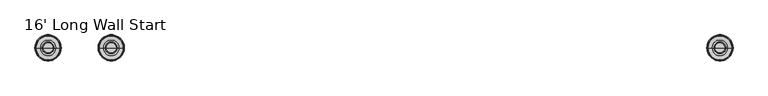
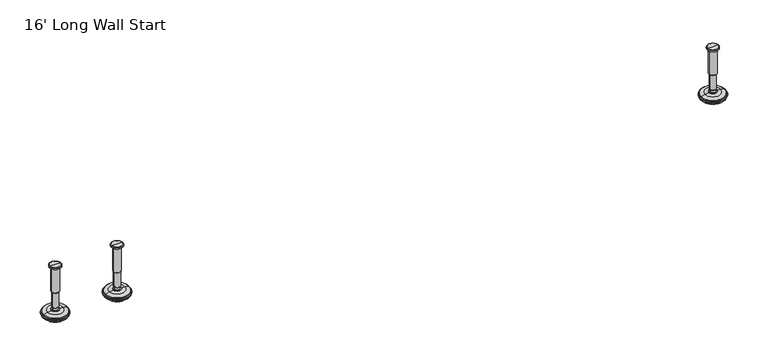
"""IFC4 building model written with IfcOpenShell, lengths in millimetres: furniture geometry, 16' Long Wall Start."""

from ifc_helpers import new_model, si_unit, frame, origin, place, context, project, spatial, polyline, circle_curve, source, transform, mapped, element, save
from ifc_brep_helpers import plane_surface, cylinder_surface, revolved_surface, advanced_brep


def furniture_16_long_wall_start_8f96a8e6(model_context):
    return source(origin(), model_context, "Body", "AdvancedBrep", [
        advanced_brep(
        [(3714.9364323, 0.0, 101.6), (3723.9143537, 0.0, 101.6), (3705.9585109, 0.0, 101.6), (3729.0406722, 0.0, 0.0206943), (3714.9364323, 0.0, 0.0206943), (3700.8321924, 0.0, 0.0206943), (3733.918704, 0.0, 1.4194474), (3695.9541606, 0.0, 1.4194474), (3737.680619, 0.0, 4.7394056), (3692.1922456, 0.0, 4.7394056), (3738.7980686, 0.0, 7.5051905), (3691.074796, 0.0, 7.5051905), (3738.7980686, 0.0, 8.3065967), (3691.074796, 0.0, 8.3065967), (3737.9556654, 0.0, 9.8469348), (3691.9171992, 0.0, 9.8469348), (3736.8555228, 0.0, 10.8375077), (3693.0173418, 0.0, 10.8375077), (3729.5518276, 0.0, 12.7338946), (3700.321037, 0.0, 12.7338946), (3722.1336762, 0.0, 13.3828987), (3707.7391884, 0.0, 13.3828987), (3722.1336762, 0.0, 14.1772758), (3707.7391884, 0.0, 14.1772758), (3719.7368834, 0.0, 14.1772758), (3710.1359812, 0.0, 14.1772758), (3719.7368834, 0.0, 18.8098403), (3710.1359812, 0.0, 18.8098403), (3720.752736, 0.0, 19.8256929), (3709.1201286, 0.0, 19.8256929), (3720.752736, 0.0, 48.3056352), (3709.1201286, 0.0, 48.3056352), (3721.9762639, 0.0, 49.9293116), (3707.8966007, 0.0, 49.9293116), (3721.9762639, 0.0, 97.327223), (3707.8966007, 0.0, 97.327223), (3722.8573683, 0.0, 97.6479188), (3707.0154963, 0.0, 97.6479188), (3723.9063572, 0.0, 97.6479188), (3705.9665074, 0.0, 97.6479188), (3725.5713871, 0.0, 98.6092242), (3704.3014775, 0.0, 98.6092242), (3725.5713871, 0.0, 100.6043539), (3704.3014775, 0.0, 100.6043539)],
        [
            (0, 1),
            (1, 2, circle_curve(frame((3714.9364323, 0.0, 101.6), z_axis=(0.0, 0.0, 1.0), x_axis=(-1.0, 0.0, 0.0)), 8.9779214)),
            (2, 0),
            (2, 1, circle_curve(frame((3714.9364323, 0.0, 101.6), z_axis=(0.0, 0.0, 1.0), x_axis=(-1.0, 0.0, 0.0)), 8.9779214)),
            (3, 4),
            (4, 5),
            (5, 3, circle_curve(frame((3714.9364323, 0.0, 0.0206943), z_axis=(0.0, 0.0, -1.0), x_axis=(-1.0, 0.0, 0.0)), 14.1042399)),
            (3, 5, circle_curve(frame((3714.9364323, 0.0, 0.0206943), z_axis=(0.0, 0.0, -1.0), x_axis=(-1.0, 0.0, 0.0)), 14.1042399)),
            (6, 3),
            (5, 7),
            (7, 6, circle_curve(frame((3714.9364323, 0.0, 1.4194474), z_axis=(0.0, 0.0, -1.0), x_axis=(-1.0, 0.0, 0.0)), 18.9822717)),
            (6, 7, circle_curve(frame((3714.9364323, 0.0, 1.4194474), z_axis=(0.0, 0.0, -1.0), x_axis=(-1.0, 0.0, 0.0)), 18.9822717)),
            (8, 6),
            (7, 9),
            (9, 8, circle_curve(frame((3714.9364323, 0.0, 4.7394056), z_axis=(0.0, 0.0, -1.0), x_axis=(-1.0, 0.0, 0.0)), 22.7441867)),
            (8, 9, circle_curve(frame((3714.9364323, 0.0, 4.7394056), z_axis=(0.0, 0.0, -1.0), x_axis=(-1.0, 0.0, 0.0)), 22.7441867)),
            (10, 8),
            (9, 11),
            (11, 10, circle_curve(frame((3714.9364323, 0.0, 7.5051905), z_axis=(0.0, 0.0, -1.0), x_axis=(-1.0, 0.0, 0.0)), 23.8616363)),
            (10, 11, circle_curve(frame((3714.9364323, 0.0, 7.5051905), z_axis=(0.0, 0.0, -1.0), x_axis=(-1.0, 0.0, 0.0)), 23.8616363)),
            (12, 10),
            (11, 13),
            (13, 12, circle_curve(frame((3714.9364323, 0.0, 8.3065967), z_axis=(0.0, 0.0, -1.0), x_axis=(-1.0, 0.0, 0.0)), 23.8616363)),
            (12, 13, circle_curve(frame((3714.9364323, 0.0, 8.3065967), z_axis=(0.0, 0.0, -1.0), x_axis=(-1.0, 0.0, 0.0)), 23.8616363)),
            (14, 12),
            (13, 15),
            (15, 14, circle_curve(frame((3714.9364323, 0.0, 9.8469348), z_axis=(0.0, 0.0, -1.0), x_axis=(-1.0, 0.0, 0.0)), 23.0192331)),
            (14, 15, circle_curve(frame((3714.9364323, 0.0, 9.8469348), z_axis=(0.0, 0.0, -1.0), x_axis=(-1.0, 0.0, 0.0)), 23.0192331)),
            (16, 14),
            (15, 17),
            (17, 16, circle_curve(frame((3714.9364323, 0.0, 10.8375077), z_axis=(0.0, 0.0, -1.0), x_axis=(-1.0, 0.0, 0.0)), 21.9190905)),
            (16, 17, circle_curve(frame((3714.9364323, 0.0, 10.8375077), z_axis=(0.0, 0.0, -1.0), x_axis=(-1.0, 0.0, 0.0)), 21.9190905)),
            (18, 16),
            (17, 19),
            (19, 18, circle_curve(frame((3714.9364323, 0.0, 12.7338946), z_axis=(0.0, 0.0, -1.0), x_axis=(-1.0, 0.0, 0.0)), 14.6153953)),
            (18, 19, circle_curve(frame((3714.9364323, 0.0, 12.7338946), z_axis=(0.0, 0.0, -1.0), x_axis=(-1.0, 0.0, 0.0)), 14.6153953)),
            (20, 18),
            (19, 21),
            (21, 20, circle_curve(frame((3714.9364323, 0.0, 13.3828987), z_axis=(0.0, 0.0, -1.0), x_axis=(-1.0, 0.0, 0.0)), 7.1972439)),
            (20, 21, circle_curve(frame((3714.9364323, 0.0, 13.3828987), z_axis=(0.0, 0.0, -1.0), x_axis=(-1.0, 0.0, 0.0)), 7.1972439)),
            (22, 20),
            (21, 23),
            (23, 22, circle_curve(frame((3714.9364323, 0.0, 14.1772758), z_axis=(0.0, 0.0, -1.0), x_axis=(-1.0, 0.0, 0.0)), 7.1972439)),
            (22, 23, circle_curve(frame((3714.9364323, 0.0, 14.1772758), z_axis=(0.0, 0.0, -1.0), x_axis=(-1.0, 0.0, 0.0)), 7.1972439)),
            (24, 22),
            (23, 25),
            (25, 24, circle_curve(frame((3714.9364323, 0.0, 14.1772758), z_axis=(0.0, 0.0, -1.0), x_axis=(-1.0, 0.0, 0.0)), 4.8004511)),
            (24, 25, circle_curve(frame((3714.9364323, 0.0, 14.1772758), z_axis=(0.0, 0.0, -1.0), x_axis=(-1.0, 0.0, 0.0)), 4.8004511)),
            (26, 24),
            (25, 27),
            (27, 26, circle_curve(frame((3714.9364323, 0.0, 18.8098403), z_axis=(0.0, 0.0, -1.0), x_axis=(-1.0, 0.0, 0.0)), 4.8004511)),
            (26, 27, circle_curve(frame((3714.9364323, 0.0, 18.8098403), z_axis=(0.0, 0.0, -1.0), x_axis=(-1.0, 0.0, 0.0)), 4.8004511)),
            (28, 26),
            (27, 29),
            (29, 28, circle_curve(frame((3714.9364323, 0.0, 19.8256929), z_axis=(0.0, 0.0, -1.0), x_axis=(-1.0, 0.0, 0.0)), 5.8163037)),
            (28, 29, circle_curve(frame((3714.9364323, 0.0, 19.8256929), z_axis=(0.0, 0.0, -1.0), x_axis=(-1.0, 0.0, 0.0)), 5.8163037)),
            (30, 28),
            (29, 31),
            (31, 30, circle_curve(frame((3714.9364323, 0.0, 48.3056352), z_axis=(0.0, 0.0, -1.0), x_axis=(-1.0, 0.0, 0.0)), 5.8163037)),
            (30, 31, circle_curve(frame((3714.9364323, 0.0, 48.3056352), z_axis=(0.0, 0.0, -1.0), x_axis=(-1.0, 0.0, 0.0)), 5.8163037)),
            (32, 30),
            (31, 33),
            (33, 32, circle_curve(frame((3714.9364323, 0.0, 49.9293116), z_axis=(0.0, 0.0, -1.0), x_axis=(-1.0, 0.0, 0.0)), 7.0398316)),
            (32, 33, circle_curve(frame((3714.9364323, 0.0, 49.9293116), z_axis=(0.0, 0.0, -1.0), x_axis=(-1.0, 0.0, 0.0)), 7.0398316)),
            (34, 32),
            (33, 35),
            (35, 34, circle_curve(frame((3714.9364323, 0.0, 97.327223), z_axis=(0.0, 0.0, -1.0), x_axis=(-1.0, 0.0, 0.0)), 7.0398316)),
            (34, 35, circle_curve(frame((3714.9364323, 0.0, 97.327223), z_axis=(0.0, 0.0, -1.0), x_axis=(-1.0, 0.0, 0.0)), 7.0398316)),
            (36, 34),
            (35, 37),
            (37, 36, circle_curve(frame((3714.9364323, 0.0, 97.6479188), z_axis=(0.0, 0.0, -1.0), x_axis=(-1.0, 0.0, 0.0)), 7.920936)),
            (36, 37, circle_curve(frame((3714.9364323, 0.0, 97.6479188), z_axis=(0.0, 0.0, -1.0), x_axis=(-1.0, 0.0, 0.0)), 7.920936)),
            (38, 36),
            (37, 39),
            (39, 38, circle_curve(frame((3714.9364323, 0.0, 97.6479188), z_axis=(0.0, 0.0, -1.0), x_axis=(-1.0, 0.0, 0.0)), 8.9699249)),
            (38, 39, circle_curve(frame((3714.9364323, 0.0, 97.6479188), z_axis=(0.0, 0.0, -1.0), x_axis=(-1.0, 0.0, 0.0)), 8.9699249)),
            (40, 38),
            (39, 41),
            (41, 40, circle_curve(frame((3714.9364323, 0.0, 98.6092242), z_axis=(0.0, 0.0, -1.0), x_axis=(-1.0, 0.0, 0.0)), 10.6349548)),
            (40, 41, circle_curve(frame((3714.9364323, 0.0, 98.6092242), z_axis=(0.0, 0.0, -1.0), x_axis=(-1.0, 0.0, 0.0)), 10.6349548)),
            (42, 40),
            (41, 43),
            (43, 42, circle_curve(frame((3714.9364323, 0.0, 100.6043539), z_axis=(0.0, 0.0, -1.0), x_axis=(-1.0, 0.0, 0.0)), 10.6349548)),
            (42, 43, circle_curve(frame((3714.9364323, 0.0, 100.6043539), z_axis=(0.0, 0.0, -1.0), x_axis=(-1.0, 0.0, 0.0)), 10.6349548)),
            (1, 42),
            (43, 2),
        ],
        [
            plane_surface(frame((3714.9364323, 0.0, 101.6), z_axis=(0.0, 0.0, 1.0), x_axis=(-1.0, 0.0, 0.0))),
            plane_surface(frame((3714.9364323, 0.0, 0.0206943), z_axis=(0.0, 0.0, -1.0), x_axis=(-1.0, 0.0, 0.0))),
            revolved_surface(polyline([(3700.8321924, 0.0, 0.0206943), (3695.9541606, 0.0, 1.4194474)]), (3714.9364323, 0.0, 101.6), (0.0, 0.0, 1.0)),
            revolved_surface(polyline([(3695.9541606, 0.0, 1.4194474), (3692.1922456, 0.0, 4.7394056)]), (3714.9364323, 0.0, 101.6), (0.0, 0.0, 1.0)),
            revolved_surface(polyline([(3692.1922456, 0.0, 4.7394056), (3691.074796, 0.0, 7.5051905)]), (3714.9364323, 0.0, 101.6), (0.0, 0.0, 1.0)),
            cylinder_surface(frame((3714.9364323, 0.0, 101.6), z_axis=(0.0, 0.0, 1.0), x_axis=(-1.0, 0.0, 0.0)), 23.8616363),
            revolved_surface(polyline([(3691.074796, 0.0, 8.3065967), (3691.9171992, 0.0, 9.8469348)]), (3714.9364323, 0.0, 101.6), (0.0, 0.0, 1.0)),
            revolved_surface(polyline([(3691.9171992, 0.0, 9.8469348), (3693.0173418, 0.0, 10.8375077)]), (3714.9364323, 0.0, 101.6), (0.0, 0.0, 1.0)),
            revolved_surface(polyline([(3693.0173418, 0.0, 10.8375077), (3700.321037, 0.0, 12.7338946)]), (3714.9364323, 0.0, 101.6), (0.0, 0.0, 1.0)),
            revolved_surface(polyline([(3700.321037, 0.0, 12.7338946), (3707.7391884, 0.0, 13.3828987)]), (3714.9364323, 0.0, 101.6), (0.0, 0.0, 1.0)),
            cylinder_surface(frame((3714.9364323, 0.0, 101.6), z_axis=(0.0, 0.0, 1.0), x_axis=(-1.0, 0.0, 0.0)), 7.1972439),
            plane_surface(frame((3714.9364323, 0.0, 14.1772758), z_axis=(0.0, 0.0, 1.0), x_axis=(-1.0, 0.0, 0.0))),
            cylinder_surface(frame((3714.9364323, 0.0, 101.6), z_axis=(0.0, 0.0, 1.0), x_axis=(-1.0, 0.0, 0.0)), 4.8004511),
            revolved_surface(polyline([(3710.1359812, 0.0, 18.8098403), (3709.1201286, 0.0, 19.8256929)]), (3714.9364323, 0.0, 101.6), (0.0, 0.0, 1.0)),
            cylinder_surface(frame((3714.9364323, 0.0, 101.6), z_axis=(0.0, 0.0, 1.0), x_axis=(-1.0, 0.0, 0.0)), 5.8163037),
            revolved_surface(polyline([(3709.1201286, 0.0, 48.3056352), (3707.8966007, 0.0, 49.9293116)]), (3714.9364323, 0.0, 101.6), (0.0, 0.0, 1.0)),
            cylinder_surface(frame((3714.9364323, 0.0, 101.6), z_axis=(0.0, 0.0, 1.0), x_axis=(-1.0, 0.0, 0.0)), 7.0398316),
            revolved_surface(polyline([(3707.8966007, 0.0, 97.327223), (3707.0154963, 0.0, 97.6479188)]), (3714.9364323, 0.0, 101.6), (0.0, 0.0, 1.0)),
            plane_surface(frame((3714.9364323, 0.0, 97.6479188), z_axis=(0.0, 0.0, -1.0), x_axis=(-1.0, 0.0, 0.0))),
            revolved_surface(polyline([(3705.9665074, 0.0, 97.6479188), (3704.3014775, 0.0, 98.6092242)]), (3714.9364323, 0.0, 101.6), (0.0, 0.0, 1.0)),
            cylinder_surface(frame((3714.9364323, 0.0, 101.6), z_axis=(0.0, 0.0, 1.0), x_axis=(-1.0, 0.0, 0.0)), 10.6349548),
            revolved_surface(polyline([(3704.3014775, 0.0, 100.6043539), (3705.9585109, 0.0, 101.6)]), (3714.9364323, 0.0, 101.6), (0.0, 0.0, 1.0)),
        ],
        [
            (0, [[1, 2, 3]]),
            (0, [[-3, 4, -1]]),
            (1, [[5, 6, 7]]),
            (1, [[-6, -5, 8]]),
            (2, [[9, -7, 10, 11]]),
            (2, [[-10, -8, -9, 12]]),
            (3, [[13, -11, 14, 15]]),
            (3, [[-14, -12, -13, 16]]),
            (4, [[17, -15, 18, 19]]),
            (4, [[-18, -16, -17, 20]]),
            (5, [[21, -19, 22, 23]]),
            (5, [[-22, -20, -21, 24]]),
            (6, [[25, -23, 26, 27]]),
            (6, [[-26, -24, -25, 28]]),
            (7, [[29, -27, 30, 31]]),
            (7, [[-30, -28, -29, 32]]),
            (8, [[33, -31, 34, 35]]),
            (8, [[-34, -32, -33, 36]]),
            (9, [[37, -35, 38, 39]]),
            (9, [[-38, -36, -37, 40]]),
            (10, [[41, -39, 42, 43]]),
            (10, [[-42, -40, -41, 44]]),
            (11, [[45, -43, 46, 47]]),
            (11, [[-46, -44, -45, 48]]),
            (12, [[49, -47, 50, 51]]),
            (12, [[-50, -48, -49, 52]]),
            (13, [[53, -51, 54, 55]]),
            (13, [[-54, -52, -53, 56]]),
            (14, [[57, -55, 58, 59]]),
            (14, [[-58, -56, -57, 60]]),
            (15, [[61, -59, 62, 63]]),
            (15, [[-62, -60, -61, 64]]),
            (16, [[65, -63, 66, 67]]),
            (16, [[-66, -64, -65, 68]]),
            (17, [[69, -67, 70, 71]]),
            (17, [[-70, -68, -69, 72]]),
            (18, [[73, -71, 74, 75]]),
            (18, [[-74, -72, -73, 76]]),
            (19, [[77, -75, 78, 79]]),
            (19, [[-78, -76, -77, 80]]),
            (20, [[81, -79, 82, 83]]),
            (20, [[-82, -80, -81, 84]]),
            (21, [[85, -83, 86, -2]]),
            (21, [[-86, -84, -85, -4]]),
        ],
    ),
        advanced_brep(
        [(3600.2635677, 0.0, 101.6), (3609.2414891, 0.0, 101.6), (3591.2856463, 0.0, 101.6), (3586.1593278, 0.0, 0.0206943), (3614.3678076, 0.0, 0.0206943), (3600.2635677, 0.0, 0.0206943), (3581.281296, 0.0, 1.4194474), (3619.2458394, 0.0, 1.4194474), (3577.519381, 0.0, 4.7394056), (3623.0077544, 0.0, 4.7394056), (3576.4019314, 0.0, 7.5051905), (3624.125204, 0.0, 7.5051905), (3576.4019314, 0.0, 8.3065967), (3624.125204, 0.0, 8.3065967), (3577.2443346, 0.0, 9.8469348), (3623.2828008, 0.0, 9.8469348), (3578.3444772, 0.0, 10.8375077), (3622.1826582, 0.0, 10.8375077), (3585.6481724, 0.0, 12.7338946), (3614.878963, 0.0, 12.7338946), (3593.0663238, 0.0, 13.3828987), (3607.4608116, 0.0, 13.3828987), (3593.0663238, 0.0, 14.1772758), (3607.4608116, 0.0, 14.1772758), (3595.4631166, 0.0, 14.1772758), (3605.0640188, 0.0, 14.1772758), (3595.4631166, 0.0, 18.8098403), (3605.0640188, 0.0, 18.8098403), (3594.447264, 0.0, 19.8256929), (3606.0798714, 0.0, 19.8256929), (3594.447264, 0.0, 48.3056352), (3606.0798714, 0.0, 48.3056352), (3593.2237361, 0.0, 49.9293116), (3607.3033993, 0.0, 49.9293116), (3593.2237361, 0.0, 97.327223), (3607.3033993, 0.0, 97.327223), (3592.3426317, 0.0, 97.6479188), (3608.1845037, 0.0, 97.6479188), (3591.2936428, 0.0, 97.6479188), (3609.2334926, 0.0, 97.6479188), (3589.6286129, 0.0, 98.6092242), (3610.8985225, 0.0, 98.6092242), (3589.6286129, 0.0, 100.6043539), (3610.8985225, 0.0, 100.6043539)],
        [
            (0, 1),
            (1, 2, circle_curve(frame((3600.2635677, 0.0, 101.6), z_axis=(0.0, 0.0, 1.0), x_axis=(1.0, 0.0, 0.0)), 8.9779214)),
            (2, 0),
            (2, 1, circle_curve(frame((3600.2635677, 0.0, 101.6), z_axis=(0.0, 0.0, 1.0), x_axis=(1.0, 0.0, 0.0)), 8.9779214)),
            (3, 4, circle_curve(frame((3600.2635677, 0.0, 0.0206943), z_axis=(0.0, 0.0, -1.0), x_axis=(1.0, 0.0, 0.0)), 14.1042399)),
            (4, 5),
            (5, 3),
            (4, 3, circle_curve(frame((3600.2635677, 0.0, 0.0206943), z_axis=(0.0, 0.0, -1.0), x_axis=(1.0, 0.0, 0.0)), 14.1042399)),
            (6, 7, circle_curve(frame((3600.2635677, 0.0, 1.4194474), z_axis=(0.0, 0.0, -1.0), x_axis=(1.0, 0.0, 0.0)), 18.9822717)),
            (7, 4),
            (3, 6),
            (7, 6, circle_curve(frame((3600.2635677, 0.0, 1.4194474), z_axis=(0.0, 0.0, -1.0), x_axis=(1.0, 0.0, 0.0)), 18.9822717)),
            (8, 9, circle_curve(frame((3600.2635677, 0.0, 4.7394056), z_axis=(0.0, 0.0, -1.0), x_axis=(1.0, 0.0, 0.0)), 22.7441867)),
            (9, 7),
            (6, 8),
            (9, 8, circle_curve(frame((3600.2635677, 0.0, 4.7394056), z_axis=(0.0, 0.0, -1.0), x_axis=(1.0, 0.0, 0.0)), 22.7441867)),
            (10, 11, circle_curve(frame((3600.2635677, 0.0, 7.5051905), z_axis=(0.0, 0.0, -1.0), x_axis=(1.0, 0.0, 0.0)), 23.8616363)),
            (11, 9),
            (8, 10),
            (11, 10, circle_curve(frame((3600.2635677, 0.0, 7.5051905), z_axis=(0.0, 0.0, -1.0), x_axis=(1.0, 0.0, 0.0)), 23.8616363)),
            (12, 13, circle_curve(frame((3600.2635677, 0.0, 8.3065967), z_axis=(0.0, 0.0, -1.0), x_axis=(1.0, 0.0, 0.0)), 23.8616363)),
            (13, 11),
            (10, 12),
            (13, 12, circle_curve(frame((3600.2635677, 0.0, 8.3065967), z_axis=(0.0, 0.0, -1.0), x_axis=(1.0, 0.0, 0.0)), 23.8616363)),
            (14, 15, circle_curve(frame((3600.2635677, 0.0, 9.8469348), z_axis=(0.0, 0.0, -1.0), x_axis=(1.0, 0.0, 0.0)), 23.0192331)),
            (15, 13),
            (12, 14),
            (15, 14, circle_curve(frame((3600.2635677, 0.0, 9.8469348), z_axis=(0.0, 0.0, -1.0), x_axis=(1.0, 0.0, 0.0)), 23.0192331)),
            (16, 17, circle_curve(frame((3600.2635677, 0.0, 10.8375077), z_axis=(0.0, 0.0, -1.0), x_axis=(1.0, 0.0, 0.0)), 21.9190905)),
            (17, 15),
            (14, 16),
            (17, 16, circle_curve(frame((3600.2635677, 0.0, 10.8375077), z_axis=(0.0, 0.0, -1.0), x_axis=(1.0, 0.0, 0.0)), 21.9190905)),
            (18, 19, circle_curve(frame((3600.2635677, 0.0, 12.7338946), z_axis=(0.0, 0.0, -1.0), x_axis=(1.0, 0.0, 0.0)), 14.6153953)),
            (19, 17),
            (16, 18),
            (19, 18, circle_curve(frame((3600.2635677, 0.0, 12.7338946), z_axis=(0.0, 0.0, -1.0), x_axis=(1.0, 0.0, 0.0)), 14.6153953)),
            (20, 21, circle_curve(frame((3600.2635677, 0.0, 13.3828987), z_axis=(0.0, 0.0, -1.0), x_axis=(1.0, 0.0, 0.0)), 7.1972439)),
            (21, 19),
            (18, 20),
            (21, 20, circle_curve(frame((3600.2635677, 0.0, 13.3828987), z_axis=(0.0, 0.0, -1.0), x_axis=(1.0, 0.0, 0.0)), 7.1972439)),
            (22, 23, circle_curve(frame((3600.2635677, 0.0, 14.1772758), z_axis=(0.0, 0.0, -1.0), x_axis=(1.0, 0.0, 0.0)), 7.1972439)),
            (23, 21),
            (20, 22),
            (23, 22, circle_curve(frame((3600.2635677, 0.0, 14.1772758), z_axis=(0.0, 0.0, -1.0), x_axis=(1.0, 0.0, 0.0)), 7.1972439)),
            (24, 25, circle_curve(frame((3600.2635677, 0.0, 14.1772758), z_axis=(0.0, 0.0, -1.0), x_axis=(1.0, 0.0, 0.0)), 4.8004511)),
            (25, 23),
            (22, 24),
            (25, 24, circle_curve(frame((3600.2635677, 0.0, 14.1772758), z_axis=(0.0, 0.0, -1.0), x_axis=(1.0, 0.0, 0.0)), 4.8004511)),
            (26, 27, circle_curve(frame((3600.2635677, 0.0, 18.8098403), z_axis=(0.0, 0.0, -1.0), x_axis=(1.0, 0.0, 0.0)), 4.8004511)),
            (27, 25),
            (24, 26),
            (27, 26, circle_curve(frame((3600.2635677, 0.0, 18.8098403), z_axis=(0.0, 0.0, -1.0), x_axis=(1.0, 0.0, 0.0)), 4.8004511)),
            (28, 29, circle_curve(frame((3600.2635677, 0.0, 19.8256929), z_axis=(0.0, 0.0, -1.0), x_axis=(1.0, 0.0, 0.0)), 5.8163037)),
            (29, 27),
            (26, 28),
            (29, 28, circle_curve(frame((3600.2635677, 0.0, 19.8256929), z_axis=(0.0, 0.0, -1.0), x_axis=(1.0, 0.0, 0.0)), 5.8163037)),
            (30, 31, circle_curve(frame((3600.2635677, 0.0, 48.3056352), z_axis=(0.0, 0.0, -1.0), x_axis=(1.0, 0.0, 0.0)), 5.8163037)),
            (31, 29),
            (28, 30),
            (31, 30, circle_curve(frame((3600.2635677, 0.0, 48.3056352), z_axis=(0.0, 0.0, -1.0), x_axis=(1.0, 0.0, 0.0)), 5.8163037)),
            (32, 33, circle_curve(frame((3600.2635677, 0.0, 49.9293116), z_axis=(0.0, 0.0, -1.0), x_axis=(1.0, 0.0, 0.0)), 7.0398316)),
            (33, 31),
            (30, 32),
            (33, 32, circle_curve(frame((3600.2635677, 0.0, 49.9293116), z_axis=(0.0, 0.0, -1.0), x_axis=(1.0, 0.0, 0.0)), 7.0398316)),
            (34, 35, circle_curve(frame((3600.2635677, 0.0, 97.327223), z_axis=(0.0, 0.0, -1.0), x_axis=(1.0, 0.0, 0.0)), 7.0398316)),
            (35, 33),
            (32, 34),
            (35, 34, circle_curve(frame((3600.2635677, 0.0, 97.327223), z_axis=(0.0, 0.0, -1.0), x_axis=(1.0, 0.0, 0.0)), 7.0398316)),
            (36, 37, circle_curve(frame((3600.2635677, 0.0, 97.6479188), z_axis=(0.0, 0.0, -1.0), x_axis=(1.0, 0.0, 0.0)), 7.920936)),
            (37, 35),
            (34, 36),
            (37, 36, circle_curve(frame((3600.2635677, 0.0, 97.6479188), z_axis=(0.0, 0.0, -1.0), x_axis=(1.0, 0.0, 0.0)), 7.920936)),
            (38, 39, circle_curve(frame((3600.2635677, 0.0, 97.6479188), z_axis=(0.0, 0.0, -1.0), x_axis=(1.0, 0.0, 0.0)), 8.9699249)),
            (39, 37),
            (36, 38),
            (39, 38, circle_curve(frame((3600.2635677, 0.0, 97.6479188), z_axis=(0.0, 0.0, -1.0), x_axis=(1.0, 0.0, 0.0)), 8.9699249)),
            (40, 41, circle_curve(frame((3600.2635677, 0.0, 98.6092242), z_axis=(0.0, 0.0, -1.0), x_axis=(1.0, 0.0, 0.0)), 10.6349548)),
            (41, 39),
            (38, 40),
            (41, 40, circle_curve(frame((3600.2635677, 0.0, 98.6092242), z_axis=(0.0, 0.0, -1.0), x_axis=(1.0, 0.0, 0.0)), 10.6349548)),
            (42, 43, circle_curve(frame((3600.2635677, 0.0, 100.6043539), z_axis=(0.0, 0.0, -1.0), x_axis=(1.0, 0.0, 0.0)), 10.6349548)),
            (43, 41),
            (40, 42),
            (43, 42, circle_curve(frame((3600.2635677, 0.0, 100.6043539), z_axis=(0.0, 0.0, -1.0), x_axis=(1.0, 0.0, 0.0)), 10.6349548)),
            (1, 43),
            (42, 2),
        ],
        [
            plane_surface(frame((3600.2635677, 0.0, 101.6), z_axis=(0.0, 0.0, 1.0), x_axis=(1.0, 0.0, 0.0))),
            plane_surface(frame((3600.2635677, 0.0, 0.0206943), z_axis=(0.0, 0.0, -1.0), x_axis=(1.0, 0.0, 0.0))),
            revolved_surface(polyline([(3614.3678076, 0.0, 0.0206943), (3619.2458394, 0.0, 1.4194474)]), (3600.2635677, 0.0, 101.6), (0.0, 0.0, 1.0)),
            revolved_surface(polyline([(3619.2458394, 0.0, 1.4194474), (3623.0077544, 0.0, 4.7394056)]), (3600.2635677, 0.0, 101.6), (0.0, 0.0, 1.0)),
            revolved_surface(polyline([(3623.0077544, 0.0, 4.7394056), (3624.125204, 0.0, 7.5051905)]), (3600.2635677, 0.0, 101.6), (0.0, 0.0, 1.0)),
            cylinder_surface(frame((3600.2635677, 0.0, 101.6), z_axis=(0.0, 0.0, 1.0), x_axis=(1.0, 0.0, 0.0)), 23.8616363),
            revolved_surface(polyline([(3624.125204, 0.0, 8.3065967), (3623.2828008, 0.0, 9.8469348)]), (3600.2635677, 0.0, 101.6), (0.0, 0.0, 1.0)),
            revolved_surface(polyline([(3623.2828008, 0.0, 9.8469348), (3622.1826582, 0.0, 10.8375077)]), (3600.2635677, 0.0, 101.6), (0.0, 0.0, 1.0)),
            revolved_surface(polyline([(3622.1826582, 0.0, 10.8375077), (3614.878963, 0.0, 12.7338946)]), (3600.2635677, 0.0, 101.6), (0.0, 0.0, 1.0)),
            revolved_surface(polyline([(3614.878963, 0.0, 12.7338946), (3607.4608116, 0.0, 13.3828987)]), (3600.2635677, 0.0, 101.6), (0.0, 0.0, 1.0)),
            cylinder_surface(frame((3600.2635677, 0.0, 101.6), z_axis=(0.0, 0.0, 1.0), x_axis=(1.0, 0.0, 0.0)), 7.1972439),
            plane_surface(frame((3600.2635677, 0.0, 14.1772758), z_axis=(0.0, 0.0, 1.0), x_axis=(1.0, 0.0, 0.0))),
            cylinder_surface(frame((3600.2635677, 0.0, 101.6), z_axis=(0.0, 0.0, 1.0), x_axis=(1.0, 0.0, 0.0)), 4.8004511),
            revolved_surface(polyline([(3605.0640188, 0.0, 18.8098403), (3606.0798714, 0.0, 19.8256929)]), (3600.2635677, 0.0, 101.6), (0.0, 0.0, 1.0)),
            cylinder_surface(frame((3600.2635677, 0.0, 101.6), z_axis=(0.0, 0.0, 1.0), x_axis=(1.0, 0.0, 0.0)), 5.8163037),
            revolved_surface(polyline([(3606.0798714, 0.0, 48.3056352), (3607.3033993, 0.0, 49.9293116)]), (3600.2635677, 0.0, 101.6), (0.0, 0.0, 1.0)),
            cylinder_surface(frame((3600.2635677, 0.0, 101.6), z_axis=(0.0, 0.0, 1.0), x_axis=(1.0, 0.0, 0.0)), 7.0398316),
            revolved_surface(polyline([(3607.3033993, 0.0, 97.327223), (3608.1845037, 0.0, 97.6479188)]), (3600.2635677, 0.0, 101.6), (0.0, 0.0, 1.0)),
            plane_surface(frame((3600.2635677, 0.0, 97.6479188), z_axis=(0.0, 0.0, -1.0), x_axis=(1.0, 0.0, 0.0))),
            revolved_surface(polyline([(3609.2334926, 0.0, 97.6479188), (3610.8985225, 0.0, 98.6092242)]), (3600.2635677, 0.0, 101.6), (0.0, 0.0, 1.0)),
            cylinder_surface(frame((3600.2635677, 0.0, 101.6), z_axis=(0.0, 0.0, 1.0), x_axis=(1.0, 0.0, 0.0)), 10.6349548),
            revolved_surface(polyline([(3610.8985225, 0.0, 100.6043539), (3609.2414891, 0.0, 101.6)]), (3600.2635677, 0.0, 101.6), (0.0, 0.0, 1.0)),
        ],
        [
            (0, [[1, 2, 3]]),
            (0, [[-3, 4, -1]]),
            (1, [[5, 6, 7]]),
            (1, [[8, -7, -6]]),
            (2, [[9, 10, -5, 11]]),
            (2, [[12, -11, -8, -10]]),
            (3, [[13, 14, -9, 15]]),
            (3, [[16, -15, -12, -14]]),
            (4, [[17, 18, -13, 19]]),
            (4, [[20, -19, -16, -18]]),
            (5, [[21, 22, -17, 23]]),
            (5, [[24, -23, -20, -22]]),
            (6, [[25, 26, -21, 27]]),
            (6, [[28, -27, -24, -26]]),
            (7, [[29, 30, -25, 31]]),
            (7, [[32, -31, -28, -30]]),
            (8, [[33, 34, -29, 35]]),
            (8, [[36, -35, -32, -34]]),
            (9, [[37, 38, -33, 39]]),
            (9, [[40, -39, -36, -38]]),
            (10, [[41, 42, -37, 43]]),
            (10, [[44, -43, -40, -42]]),
            (11, [[45, 46, -41, 47]]),
            (11, [[48, -47, -44, -46]]),
            (12, [[49, 50, -45, 51]]),
            (12, [[52, -51, -48, -50]]),
            (13, [[53, 54, -49, 55]]),
            (13, [[56, -55, -52, -54]]),
            (14, [[57, 58, -53, 59]]),
            (14, [[60, -59, -56, -58]]),
            (15, [[61, 62, -57, 63]]),
            (15, [[64, -63, -60, -62]]),
            (16, [[65, 66, -61, 67]]),
            (16, [[68, -67, -64, -66]]),
            (17, [[69, 70, -65, 71]]),
            (17, [[72, -71, -68, -70]]),
            (18, [[73, 74, -69, 75]]),
            (18, [[76, -75, -72, -74]]),
            (19, [[77, 78, -73, 79]]),
            (19, [[80, -79, -76, -78]]),
            (20, [[81, 82, -77, 83]]),
            (20, [[84, -83, -80, -82]]),
            (21, [[-2, 85, -81, 86]]),
            (21, [[-4, -86, -84, -85]]),
        ],
    ),
        advanced_brep(
        [(4819.7372135, 0.0, 101.6), (4828.715135, 0.0, 101.6), (4810.7592921, 0.0, 101.6), (4833.8414535, 0.0, 0.0206943), (4819.7372135, 0.0, 0.0206943), (4805.6329736, 0.0, 0.0206943), (4838.7194852, 0.0, 1.4194474), (4800.7549419, 0.0, 1.4194474), (4842.4814003, 0.0, 4.7394056), (4796.9930268, 0.0, 4.7394056), (4843.5988499, 0.0, 7.5051905), (4795.8755772, 0.0, 7.5051905), (4843.5988499, 0.0, 8.3065967), (4795.8755772, 0.0, 8.3065967), (4842.7564467, 0.0, 9.8469348), (4796.7179804, 0.0, 9.8469348), (4841.656304, 0.0, 10.8375077), (4797.8181231, 0.0, 10.8375077), (4834.3526088, 0.0, 12.7338946), (4805.1218183, 0.0, 12.7338946), (4826.9344574, 0.0, 13.3828987), (4812.5399696, 0.0, 13.3828987), (4826.9344574, 0.0, 14.1772758), (4812.5399696, 0.0, 14.1772758), (4824.5376646, 0.0, 14.1772758), (4814.9367625, 0.0, 14.1772758), (4824.5376646, 0.0, 18.8098403), (4814.9367625, 0.0, 18.8098403), (4825.5535173, 0.0, 19.8256929), (4813.9209098, 0.0, 19.8256929), (4825.5535173, 0.0, 48.3056352), (4813.9209098, 0.0, 48.3056352), (4826.7770452, 0.0, 49.9293116), (4812.6973819, 0.0, 49.9293116), (4826.7770452, 0.0, 97.327223), (4812.6973819, 0.0, 97.327223), (4827.6581495, 0.0, 97.6479188), (4811.8162776, 0.0, 97.6479188), (4828.7071385, 0.0, 97.6479188), (4810.7672886, 0.0, 97.6479188), (4830.3721684, 0.0, 98.6092242), (4809.1022587, 0.0, 98.6092242), (4830.3721684, 0.0, 100.6043539), (4809.1022587, 0.0, 100.6043539)],
        [
            (0, 1),
            (1, 2, circle_curve(frame((4819.7372135, 0.0, 101.6), z_axis=(0.0, 0.0, 1.0), x_axis=(-1.0, 0.0, 0.0)), 8.9779214)),
            (2, 0),
            (2, 1, circle_curve(frame((4819.7372135, 0.0, 101.6), z_axis=(0.0, 0.0, 1.0), x_axis=(-1.0, 0.0, 0.0)), 8.9779214)),
            (3, 4),
            (4, 5),
            (5, 3, circle_curve(frame((4819.7372135, 0.0, 0.0206943), z_axis=(0.0, 0.0, -1.0), x_axis=(-1.0, 0.0, 0.0)), 14.1042399)),
            (3, 5, circle_curve(frame((4819.7372135, 0.0, 0.0206943), z_axis=(0.0, 0.0, -1.0), x_axis=(-1.0, 0.0, 0.0)), 14.1042399)),
            (6, 3),
            (5, 7),
            (7, 6, circle_curve(frame((4819.7372135, 0.0, 1.4194474), z_axis=(0.0, 0.0, -1.0), x_axis=(-1.0, 0.0, 0.0)), 18.9822717)),
            (6, 7, circle_curve(frame((4819.7372135, 0.0, 1.4194474), z_axis=(0.0, 0.0, -1.0), x_axis=(-1.0, 0.0, 0.0)), 18.9822717)),
            (8, 6),
            (7, 9),
            (9, 8, circle_curve(frame((4819.7372135, 0.0, 4.7394056), z_axis=(0.0, 0.0, -1.0), x_axis=(-1.0, 0.0, 0.0)), 22.7441867)),
            (8, 9, circle_curve(frame((4819.7372135, 0.0, 4.7394056), z_axis=(0.0, 0.0, -1.0), x_axis=(-1.0, 0.0, 0.0)), 22.7441867)),
            (10, 8),
            (9, 11),
            (11, 10, circle_curve(frame((4819.7372135, 0.0, 7.5051905), z_axis=(0.0, 0.0, -1.0), x_axis=(-1.0, 0.0, 0.0)), 23.8616363)),
            (10, 11, circle_curve(frame((4819.7372135, 0.0, 7.5051905), z_axis=(0.0, 0.0, -1.0), x_axis=(-1.0, 0.0, 0.0)), 23.8616363)),
            (12, 10),
            (11, 13),
            (13, 12, circle_curve(frame((4819.7372135, 0.0, 8.3065967), z_axis=(0.0, 0.0, -1.0), x_axis=(-1.0, 0.0, 0.0)), 23.8616363)),
            (12, 13, circle_curve(frame((4819.7372135, 0.0, 8.3065967), z_axis=(0.0, 0.0, -1.0), x_axis=(-1.0, 0.0, 0.0)), 23.8616363)),
            (14, 12),
            (13, 15),
            (15, 14, circle_curve(frame((4819.7372135, 0.0, 9.8469348), z_axis=(0.0, 0.0, -1.0), x_axis=(-1.0, 0.0, 0.0)), 23.0192331)),
            (14, 15, circle_curve(frame((4819.7372135, 0.0, 9.8469348), z_axis=(0.0, 0.0, -1.0), x_axis=(-1.0, 0.0, 0.0)), 23.0192331)),
            (16, 14),
            (15, 17),
            (17, 16, circle_curve(frame((4819.7372135, 0.0, 10.8375077), z_axis=(0.0, 0.0, -1.0), x_axis=(-1.0, 0.0, 0.0)), 21.9190905)),
            (16, 17, circle_curve(frame((4819.7372135, 0.0, 10.8375077), z_axis=(0.0, 0.0, -1.0), x_axis=(-1.0, 0.0, 0.0)), 21.9190905)),
            (18, 16),
            (17, 19),
            (19, 18, circle_curve(frame((4819.7372135, 0.0, 12.7338946), z_axis=(0.0, 0.0, -1.0), x_axis=(-1.0, 0.0, 0.0)), 14.6153953)),
            (18, 19, circle_curve(frame((4819.7372135, 0.0, 12.7338946), z_axis=(0.0, 0.0, -1.0), x_axis=(-1.0, 0.0, 0.0)), 14.6153953)),
            (20, 18),
            (19, 21),
            (21, 20, circle_curve(frame((4819.7372135, 0.0, 13.3828987), z_axis=(0.0, 0.0, -1.0), x_axis=(-1.0, 0.0, 0.0)), 7.1972439)),
            (20, 21, circle_curve(frame((4819.7372135, 0.0, 13.3828987), z_axis=(0.0, 0.0, -1.0), x_axis=(-1.0, 0.0, 0.0)), 7.1972439)),
            (22, 20),
            (21, 23),
            (23, 22, circle_curve(frame((4819.7372135, 0.0, 14.1772758), z_axis=(0.0, 0.0, -1.0), x_axis=(-1.0, 0.0, 0.0)), 7.1972439)),
            (22, 23, circle_curve(frame((4819.7372135, 0.0, 14.1772758), z_axis=(0.0, 0.0, -1.0), x_axis=(-1.0, 0.0, 0.0)), 7.1972439)),
            (24, 22),
            (23, 25),
            (25, 24, circle_curve(frame((4819.7372135, 0.0, 14.1772758), z_axis=(0.0, 0.0, -1.0), x_axis=(-1.0, 0.0, 0.0)), 4.8004511)),
            (24, 25, circle_curve(frame((4819.7372135, 0.0, 14.1772758), z_axis=(0.0, 0.0, -1.0), x_axis=(-1.0, 0.0, 0.0)), 4.8004511)),
            (26, 24),
            (25, 27),
            (27, 26, circle_curve(frame((4819.7372135, 0.0, 18.8098403), z_axis=(0.0, 0.0, -1.0), x_axis=(-1.0, 0.0, 0.0)), 4.8004511)),
            (26, 27, circle_curve(frame((4819.7372135, 0.0, 18.8098403), z_axis=(0.0, 0.0, -1.0), x_axis=(-1.0, 0.0, 0.0)), 4.8004511)),
            (28, 26),
            (27, 29),
            (29, 28, circle_curve(frame((4819.7372135, 0.0, 19.8256929), z_axis=(0.0, 0.0, -1.0), x_axis=(-1.0, 0.0, 0.0)), 5.8163037)),
            (28, 29, circle_curve(frame((4819.7372135, 0.0, 19.8256929), z_axis=(0.0, 0.0, -1.0), x_axis=(-1.0, 0.0, 0.0)), 5.8163037)),
            (30, 28),
            (29, 31),
            (31, 30, circle_curve(frame((4819.7372135, 0.0, 48.3056352), z_axis=(0.0, 0.0, -1.0), x_axis=(-1.0, 0.0, 0.0)), 5.8163037)),
            (30, 31, circle_curve(frame((4819.7372135, 0.0, 48.3056352), z_axis=(0.0, 0.0, -1.0), x_axis=(-1.0, 0.0, 0.0)), 5.8163037)),
            (32, 30),
            (31, 33),
            (33, 32, circle_curve(frame((4819.7372135, 0.0, 49.9293116), z_axis=(0.0, 0.0, -1.0), x_axis=(-1.0, 0.0, 0.0)), 7.0398316)),
            (32, 33, circle_curve(frame((4819.7372135, 0.0, 49.9293116), z_axis=(0.0, 0.0, -1.0), x_axis=(-1.0, 0.0, 0.0)), 7.0398316)),
            (34, 32),
            (33, 35),
            (35, 34, circle_curve(frame((4819.7372135, 0.0, 97.327223), z_axis=(0.0, 0.0, -1.0), x_axis=(-1.0, 0.0, 0.0)), 7.0398316)),
            (34, 35, circle_curve(frame((4819.7372135, 0.0, 97.327223), z_axis=(0.0, 0.0, -1.0), x_axis=(-1.0, 0.0, 0.0)), 7.0398316)),
            (36, 34),
            (35, 37),
            (37, 36, circle_curve(frame((4819.7372135, 0.0, 97.6479188), z_axis=(0.0, 0.0, -1.0), x_axis=(-1.0, 0.0, 0.0)), 7.920936)),
            (36, 37, circle_curve(frame((4819.7372135, 0.0, 97.6479188), z_axis=(0.0, 0.0, -1.0), x_axis=(-1.0, 0.0, 0.0)), 7.920936)),
            (38, 36),
            (37, 39),
            (39, 38, circle_curve(frame((4819.7372135, 0.0, 97.6479188), z_axis=(0.0, 0.0, -1.0), x_axis=(-1.0, 0.0, 0.0)), 8.9699249)),
            (38, 39, circle_curve(frame((4819.7372135, 0.0, 97.6479188), z_axis=(0.0, 0.0, -1.0), x_axis=(-1.0, 0.0, 0.0)), 8.9699249)),
            (40, 38),
            (39, 41),
            (41, 40, circle_curve(frame((4819.7372135, 0.0, 98.6092242), z_axis=(0.0, 0.0, -1.0), x_axis=(-1.0, 0.0, 0.0)), 10.6349548)),
            (40, 41, circle_curve(frame((4819.7372135, 0.0, 98.6092242), z_axis=(0.0, 0.0, -1.0), x_axis=(-1.0, 0.0, 0.0)), 10.6349548)),
            (42, 40),
            (41, 43),
            (43, 42, circle_curve(frame((4819.7372135, 0.0, 100.6043539), z_axis=(0.0, 0.0, -1.0), x_axis=(-1.0, 0.0, 0.0)), 10.6349548)),
            (42, 43, circle_curve(frame((4819.7372135, 0.0, 100.6043539), z_axis=(0.0, 0.0, -1.0), x_axis=(-1.0, 0.0, 0.0)), 10.6349548)),
            (1, 42),
            (43, 2),
        ],
        [
            plane_surface(frame((4819.7372135, 0.0, 101.6), z_axis=(0.0, 0.0, 1.0), x_axis=(-1.0, 0.0, 0.0))),
            plane_surface(frame((4819.7372135, 0.0, 0.0206943), z_axis=(0.0, 0.0, -1.0), x_axis=(-1.0, 0.0, 0.0))),
            revolved_surface(polyline([(4805.6329736, 0.0, 0.0206943), (4800.7549419, 0.0, 1.4194474)]), (4819.7372135, 0.0, 101.6), (0.0, 0.0, 1.0)),
            revolved_surface(polyline([(4800.7549419, 0.0, 1.4194474), (4796.9930268, 0.0, 4.7394056)]), (4819.7372135, 0.0, 101.6), (0.0, 0.0, 1.0)),
            revolved_surface(polyline([(4796.9930268, 0.0, 4.7394056), (4795.8755772, 0.0, 7.5051905)]), (4819.7372135, 0.0, 101.6), (0.0, 0.0, 1.0)),
            cylinder_surface(frame((4819.7372135, 0.0, 101.6), z_axis=(0.0, 0.0, 1.0), x_axis=(-1.0, 0.0, 0.0)), 23.8616363),
            revolved_surface(polyline([(4795.8755772, 0.0, 8.3065967), (4796.7179804, 0.0, 9.8469348)]), (4819.7372135, 0.0, 101.6), (0.0, 0.0, 1.0)),
            revolved_surface(polyline([(4796.7179804, 0.0, 9.8469348), (4797.8181231, 0.0, 10.8375077)]), (4819.7372135, 0.0, 101.6), (0.0, 0.0, 1.0)),
            revolved_surface(polyline([(4797.8181231, 0.0, 10.8375077), (4805.1218183, 0.0, 12.7338946)]), (4819.7372135, 0.0, 101.6), (0.0, 0.0, 1.0)),
            revolved_surface(polyline([(4805.1218183, 0.0, 12.7338946), (4812.5399696, 0.0, 13.3828987)]), (4819.7372135, 0.0, 101.6), (0.0, 0.0, 1.0)),
            cylinder_surface(frame((4819.7372135, 0.0, 101.6), z_axis=(0.0, 0.0, 1.0), x_axis=(-1.0, 0.0, 0.0)), 7.1972439),
            plane_surface(frame((4819.7372135, 0.0, 14.1772758), z_axis=(0.0, 0.0, 1.0), x_axis=(-1.0, 0.0, 0.0))),
            cylinder_surface(frame((4819.7372135, 0.0, 101.6), z_axis=(0.0, 0.0, 1.0), x_axis=(-1.0, 0.0, 0.0)), 4.8004511),
            revolved_surface(polyline([(4814.9367625, 0.0, 18.8098403), (4813.9209098, 0.0, 19.8256929)]), (4819.7372135, 0.0, 101.6), (0.0, 0.0, 1.0)),
            cylinder_surface(frame((4819.7372135, 0.0, 101.6), z_axis=(0.0, 0.0, 1.0), x_axis=(-1.0, 0.0, 0.0)), 5.8163037),
            revolved_surface(polyline([(4813.9209098, 0.0, 48.3056352), (4812.6973819, 0.0, 49.9293116)]), (4819.7372135, 0.0, 101.6), (0.0, 0.0, 1.0)),
            cylinder_surface(frame((4819.7372135, 0.0, 101.6), z_axis=(0.0, 0.0, 1.0), x_axis=(-1.0, 0.0, 0.0)), 7.0398316),
            revolved_surface(polyline([(4812.6973819, 0.0, 97.327223), (4811.8162776, 0.0, 97.6479188)]), (4819.7372135, 0.0, 101.6), (0.0, 0.0, 1.0)),
            plane_surface(frame((4819.7372135, 0.0, 97.6479188), z_axis=(0.0, 0.0, -1.0), x_axis=(-1.0, 0.0, 0.0))),
            revolved_surface(polyline([(4810.7672886, 0.0, 97.6479188), (4809.1022587, 0.0, 98.6092242)]), (4819.7372135, 0.0, 101.6), (0.0, 0.0, 1.0)),
            cylinder_surface(frame((4819.7372135, 0.0, 101.6), z_axis=(0.0, 0.0, 1.0), x_axis=(-1.0, 0.0, 0.0)), 10.6349548),
            revolved_surface(polyline([(4809.1022587, 0.0, 100.6043539), (4810.7592921, 0.0, 101.6)]), (4819.7372135, 0.0, 101.6), (0.0, 0.0, 1.0)),
        ],
        [
            (0, [[1, 2, 3]]),
            (0, [[-3, 4, -1]]),
            (1, [[5, 6, 7]]),
            (1, [[-6, -5, 8]]),
            (2, [[9, -7, 10, 11]]),
            (2, [[-10, -8, -9, 12]]),
            (3, [[13, -11, 14, 15]]),
            (3, [[-14, -12, -13, 16]]),
            (4, [[17, -15, 18, 19]]),
            (4, [[-18, -16, -17, 20]]),
            (5, [[21, -19, 22, 23]]),
            (5, [[-22, -20, -21, 24]]),
            (6, [[25, -23, 26, 27]]),
            (6, [[-26, -24, -25, 28]]),
            (7, [[29, -27, 30, 31]]),
            (7, [[-30, -28, -29, 32]]),
            (8, [[33, -31, 34, 35]]),
            (8, [[-34, -32, -33, 36]]),
            (9, [[37, -35, 38, 39]]),
            (9, [[-38, -36, -37, 40]]),
            (10, [[41, -39, 42, 43]]),
            (10, [[-42, -40, -41, 44]]),
            (11, [[45, -43, 46, 47]]),
            (11, [[-46, -44, -45, 48]]),
            (12, [[49, -47, 50, 51]]),
            (12, [[-50, -48, -49, 52]]),
            (13, [[53, -51, 54, 55]]),
            (13, [[-54, -52, -53, 56]]),
            (14, [[57, -55, 58, 59]]),
            (14, [[-58, -56, -57, 60]]),
            (15, [[61, -59, 62, 63]]),
            (15, [[-62, -60, -61, 64]]),
            (16, [[65, -63, 66, 67]]),
            (16, [[-66, -64, -65, 68]]),
            (17, [[69, -67, 70, 71]]),
            (17, [[-70, -68, -69, 72]]),
            (18, [[73, -71, 74, 75]]),
            (18, [[-74, -72, -73, 76]]),
            (19, [[77, -75, 78, 79]]),
            (19, [[-78, -76, -77, 80]]),
            (20, [[81, -79, 82, 83]]),
            (20, [[-82, -80, -81, 84]]),
            (21, [[85, -83, 86, -2]]),
            (21, [[-86, -84, -85, -4]]),
        ],
    ),
    ])


if __name__ == "__main__":
    model = new_model("IFC4")
    model_context = context("Model", 3, world=origin())
    ifc_project = project(units=[si_unit("LENGTHUNIT", "METRE", prefix="MILLI")], contexts=[model_context])
    site = spatial("IfcSite", under=ifc_project)
    building = spatial("IfcBuilding", under=site)
    placement = place(None, origin())
    furniture_16_long_wall_start_shape = furniture_16_long_wall_start_8f96a8e6(model_context)
    element("IfcFurniture", 1, ObjectType="16' Long Wall Start", at=placement, inside=building, context=model_context, shape_type="MappedRepresentation", body=[
        mapped(furniture_16_long_wall_start_shape, transform((0.0, 0.0, 0.0), x_axis=(1.0, 0.0, 0.0), y_axis=(0.0, 1.0, 0.0), z_axis=(0.0, 0.0, 1.0))),
    ])
    save(model, "model.ifc")
